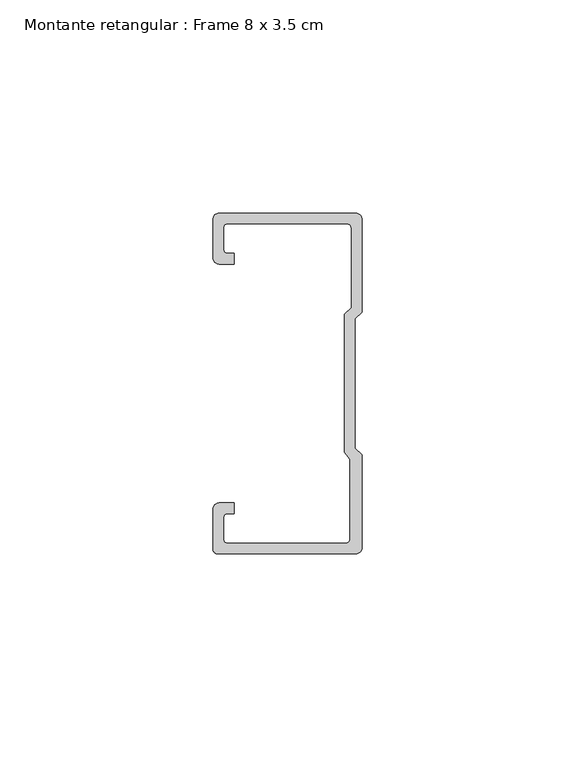
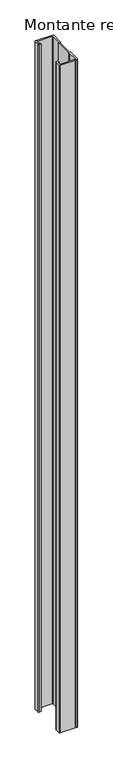
"""IFC4 building model written with IfcOpenShell, lengths in millimetres: member geometry, Montante retangular : Frame 8 x 3.5 cm."""

from ifc_helpers import new_model, si_unit, point, frame, frame_2d, origin, place, context, project, spatial, polyline, circle_curve, trimmed, segment, composite_curve, outline, extrude, source, transform, mapped, element, save


def montante_retangular_frame_8_x_3_5_cm_f33a2208(model_context):
    return source(origin(), model_context, "Body", "SweptSolid", [
        extrude(outline(composite_curve([segment(polyline([(-17.5, 29.5276505), (-17.5, 38.5)]), True, "CONTINUOUS"), segment(trimmed(circle_curve(frame_2d((-16.0, 38.5)), 1.5), [point((-17.5, 38.5))], [point((-16.0, 40.0))], False, "CARTESIAN"), True, "CONTINUOUS"), segment(polyline([(-16.0, 40.0), (16.0, 40.0)]), True, "CONTINUOUS"), segment(trimmed(circle_curve(frame_2d((16.0, 38.5)), 1.5), [point((16.0, 40.0))], [point((17.5, 38.5))], False, "CARTESIAN"), True, "CONTINUOUS"), segment(polyline([(17.5, 38.5), (17.5, 16.7622662), (15.9122869, 15.174553), (15.9122869, -15.174553), (17.5, -16.7622662), (17.5, -38.5)]), True, "CONTINUOUS"), segment(trimmed(circle_curve(frame_2d((16.0, -38.5)), 1.5), [point((17.5, -38.5))], [point((16.0, -40.0))], False, "CARTESIAN"), True, "CONTINUOUS"), segment(polyline([(16.0, -40.0), (-16.3171833, -40.0)]), True, "CONTINUOUS"), segment(trimmed(circle_curve(frame_2d((-16.3171833, -38.8171833)), 1.1828167), [point((-16.3171833, -40.0))], [point((-17.5, -38.8171833))], False, "CARTESIAN"), True, "CONTINUOUS"), segment(polyline([(-17.5, -38.8171833), (-17.5, -29.5276505)]), True, "CONTINUOUS"), segment(trimmed(circle_curve(frame_2d((-16.0, -29.5276505)), 1.5), [point((-17.5, -29.5276505))], [point((-16.0, -28.0276505))], False, "CARTESIAN"), True, "CONTINUOUS"), segment(polyline([(-16.0, -28.0276505), (-12.5162256, -28.0276505), (-12.5162256, -30.5276505), (-14.0, -30.5276505)]), True, "CONTINUOUS"), segment(trimmed(circle_curve(frame_2d((-14.0, -31.5276505)), 1.0), [point((-14.0, -30.5276505))], [point((-15.0, -31.5276505))], True, "CARTESIAN"), True, "CONTINUOUS"), segment(polyline([(-15.0, -31.5276505), (-15.0, -36.5)]), True, "CONTINUOUS"), segment(trimmed(circle_curve(frame_2d((-14.0, -36.5)), 1.0), [point((-15.0, -36.5))], [point((-14.0, -37.5))], True, "CARTESIAN"), True, "CONTINUOUS"), segment(polyline([(-14.0, -37.5), (13.692786, -37.5)]), True, "CONTINUOUS"), segment(trimmed(circle_curve(frame_2d((13.692786, -36.5)), 1.0), [point((13.692786, -37.5))], [point((14.692786, -36.5))], True, "CARTESIAN"), True, "CONTINUOUS"), segment(polyline([(14.692786, -36.5), (14.692786, -17.7671948), (13.4122869, -16.1794816), (13.4122869, 16.2100869), (15.0, 17.7978001), (15.0, 36.5)]), True, "CONTINUOUS"), segment(trimmed(circle_curve(frame_2d((14.0, 36.5)), 1.0), [point((15.0, 36.5))], [point((14.0, 37.5))], True, "CARTESIAN"), True, "CONTINUOUS"), segment(polyline([(14.0, 37.5), (-14.0, 37.5)]), True, "CONTINUOUS"), segment(trimmed(circle_curve(frame_2d((-14.0, 36.5)), 1.0), [point((-14.0, 37.5))], [point((-15.0, 36.5))], True, "CARTESIAN"), True, "CONTINUOUS"), segment(polyline([(-15.0, 36.5), (-15.0, 31.5276505)]), True, "CONTINUOUS"), segment(trimmed(circle_curve(frame_2d((-14.0, 31.5276505)), 1.0), [point((-15.0, 31.5276505))], [point((-14.0, 30.5276505))], True, "CARTESIAN"), True, "CONTINUOUS"), segment(polyline([(-14.0, 30.5276505), (-12.5162256, 30.5276505), (-12.5162256, 28.0276505), (-16.0, 28.0276505)]), True, "CONTINUOUS"), segment(trimmed(circle_curve(frame_2d((-16.0, 29.5276505)), 1.5), [point((-16.0, 28.0276505))], [point((-17.5, 29.5276505))], False, "CARTESIAN"), True, "CONTINUOUS")], self_intersect=False)), frame((0.0, 0.0, -1325.0), z_axis=(0.0, 0.0, 1.0), x_axis=(1.0, 0.0, 0.0)), (0.0, 0.0, 1.0), 1325.0),
    ])


if __name__ == "__main__":
    model = new_model("IFC4")
    model_context = context("Model", 3, world=origin())
    ifc_project = project(units=[si_unit("LENGTHUNIT", "METRE", prefix="MILLI")], contexts=[model_context])
    site = spatial("IfcSite", under=ifc_project)
    building = spatial("IfcBuilding", under=site)
    placement = place(None, origin())
    montante_retangular_frame_8_x_3_5_cm_shape = montante_retangular_frame_8_x_3_5_cm_f33a2208(model_context)
    element("IfcMember", 1, ObjectType="Montante retangular : Frame 8 x 3.5 cm", at=placement, inside=building, context=model_context, shape_type="MappedRepresentation", body=[
        mapped(montante_retangular_frame_8_x_3_5_cm_shape, transform((0.0, 0.0, 0.0), x_axis=(1.0, 0.0, 0.0), y_axis=(0.0, 1.0, 0.0), z_axis=(0.0, 0.0, 1.0))),
    ])
    save(model, "model.ifc")
